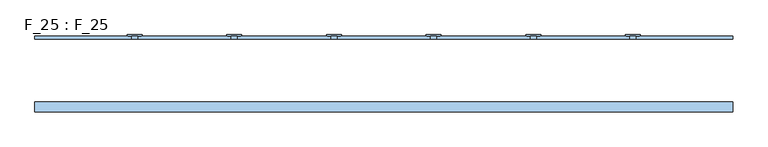
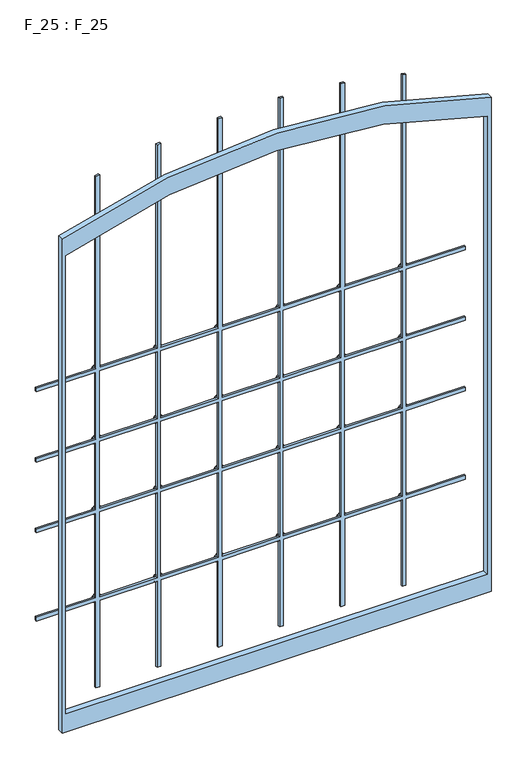
"""IFC4 building model written with IfcOpenShell, lengths in millimetres: window geometry, F_25 : F_25."""

from ifc_helpers import new_model, si_unit, point, frame, frame_2d, origin, place, context, project, spatial, polyline, circle_curve, trimmed, segment, composite_curve, outline, extrude, source, transform, mapped, element, save


def f_25_f_25_60ceeb05(model_context):
    return source(origin(), model_context, "Body", "SweptSolid", [
        extrude(outline(composite_curve([segment(polyline([(1705.0, 77.1428571), (1705.0, -77.1428571), (2298.2698477, -77.1428571)]), True, "CONTINUOUS"), segment(trimmed(circle_curve(frame_2d((597.1837547, 0.0)), 1702.8343772), [point((2298.2698477, -77.1428571))], [point((2297.7868944, -87.1428571))], False, "CARTESIAN"), True, "CONTINUOUS"), segment(polyline([(2297.7868944, -87.1428571), (1705.0, -87.1428571), (1705.0, -241.4285714), (2282.8163247, -241.4285714)]), True, "CONTINUOUS"), segment(trimmed(circle_curve(frame_2d((597.1837547, 0.0)), 1702.8343772), [point((2282.8163247, -241.4285714))], [point((2281.3537549, -251.4285714))], False, "CARTESIAN"), True, "CONTINUOUS"), segment(polyline([(2281.3537549, -251.4285714), (1705.0, -251.4285714), (1705.0, -405.7142857), (2250.9796413, -405.7142857)]), True, "CONTINUOUS"), segment(trimmed(circle_curve(frame_2d((597.1837547, 0.0)), 1702.8343772), [point((2250.9796413, -405.7142857))], [point((2248.4943096, -415.7142857))], False, "CARTESIAN"), True, "CONTINUOUS"), segment(polyline([(2248.4943096, -415.7142857), (1705.0, -415.7142857), (1705.0, -575.0), (1695.0, -575.0), (1695.0, -415.7142857), (1505.0, -415.7142857), (1505.0, -575.0), (1495.0, -575.0), (1495.0, -415.7142857), (1305.0, -415.7142857), (1305.0, -575.0), (1295.0, -575.0), (1295.0, -415.7142857), (1055.0, -415.7142857), (1055.0, -575.0), (1045.0, -575.0), (1045.0, -415.7142857), (800.0, -415.7142857), (800.0, -405.7142857), (1045.0, -405.7142857), (1045.0, -251.4285714), (800.0, -251.4285714), (800.0, -241.4285714), (1045.0, -241.4285714), (1045.0, -87.1428571), (800.0, -87.1428571), (800.0, -77.1428571), (1045.0, -77.1428571), (1045.0, 77.1428571), (800.0, 77.1428571), (800.0, 87.1428571), (1045.0, 87.1428571), (1045.0, 241.4285714), (800.0, 241.4285714), (800.0, 251.4285714), (1045.0, 251.4285714), (1045.0, 405.7142857), (800.0, 405.7142857), (800.0, 415.7142857), (1045.0, 415.7142857), (1045.0, 575.0), (1055.0, 575.0), (1055.0, 415.7142857), (1295.0, 415.7142857), (1295.0, 575.0), (1305.0, 575.0), (1305.0, 415.7142857), (1495.0, 415.7142857), (1495.0, 575.0), (1505.0, 575.0), (1505.0, 415.7142857), (1695.0, 415.7142857), (1695.0, 575.0), (1705.0, 575.0), (1705.0, 415.7142857), (2248.4943096, 415.7142857)]), True, "CONTINUOUS"), segment(trimmed(circle_curve(frame_2d((597.1837547, 0.0)), 1702.8343772), [point((2248.4943096, 415.7142857))], [point((2250.9796413, 405.7142857))], False, "CARTESIAN"), True, "CONTINUOUS"), segment(polyline([(2250.9796413, 405.7142857), (1705.0, 405.7142857), (1705.0, 251.4285714), (2281.3537549, 251.4285714)]), True, "CONTINUOUS"), segment(trimmed(circle_curve(frame_2d((597.1837547, 0.0)), 1702.8343772), [point((2281.3537549, 251.4285714))], [point((2282.8163247, 241.4285714))], False, "CARTESIAN"), True, "CONTINUOUS"), segment(polyline([(2282.8163247, 241.4285714), (1705.0, 241.4285714), (1705.0, 87.1428571), (2297.7868944, 87.1428571)]), True, "CONTINUOUS"), segment(trimmed(circle_curve(frame_2d((597.1837547, 0.0)), 1702.8343772), [point((2297.7868944, 87.1428571))], [point((2298.2698477, 77.1428571))], False, "CARTESIAN"), True, "CONTINUOUS"), segment(polyline([(2298.2698477, 77.1428571), (1705.0, 77.1428571)]), True, "CONTINUOUS")], self_intersect=False), holes=[polyline([(1305.0, 77.1428571), (1305.0, -77.1428571), (1495.0, -77.1428571), (1495.0, 77.1428571), (1305.0, 77.1428571)]), polyline([(1305.0, 405.7142857), (1305.0, 251.4285714), (1495.0, 251.4285714), (1495.0, 405.7142857), (1305.0, 405.7142857)]), polyline([(1305.0, 241.4285714), (1305.0, 87.1428571), (1495.0, 87.1428571), (1495.0, 241.4285714), (1305.0, 241.4285714)]), polyline([(1055.0, 405.7142857), (1055.0, 251.4285714), (1295.0, 251.4285714), (1295.0, 405.7142857), (1055.0, 405.7142857)]), polyline([(1055.0, 241.4285714), (1055.0, 87.1428571), (1295.0, 87.1428571), (1295.0, 241.4285714), (1055.0, 241.4285714)]), polyline([(1055.0, 77.1428571), (1055.0, -77.1428571), (1295.0, -77.1428571), (1295.0, 77.1428571), (1055.0, 77.1428571)]), polyline([(1055.0, -405.7142857), (1295.0, -405.7142857), (1295.0, -251.4285714), (1055.0, -251.4285714), (1055.0, -405.7142857)]), polyline([(1055.0, -241.4285714), (1295.0, -241.4285714), (1295.0, -87.1428571), (1055.0, -87.1428571), (1055.0, -241.4285714)]), polyline([(1305.0, -405.7142857), (1495.0, -405.7142857), (1495.0, -251.4285714), (1305.0, -251.4285714), (1305.0, -405.7142857)]), polyline([(1305.0, -241.4285714), (1495.0, -241.4285714), (1495.0, -87.1428571), (1305.0, -87.1428571), (1305.0, -241.4285714)]), polyline([(1505.0, 405.7142857), (1505.0, 251.4285714), (1695.0, 251.4285714), (1695.0, 405.7142857), (1505.0, 405.7142857)]), polyline([(1505.0, 241.4285714), (1505.0, 87.1428571), (1695.0, 87.1428571), (1695.0, 241.4285714), (1505.0, 241.4285714)]), polyline([(1505.0, 77.1428571), (1505.0, -77.1428571), (1695.0, -77.1428571), (1695.0, 77.1428571), (1505.0, 77.1428571)]), polyline([(1505.0, -405.7142857), (1695.0, -405.7142857), (1695.0, -251.4285714), (1505.0, -251.4285714), (1505.0, -405.7142857)]), polyline([(1505.0, -241.4285714), (1695.0, -241.4285714), (1695.0, -87.1428571), (1505.0, -87.1428571), (1505.0, -241.4285714)])]), frame((0.0, 220.0, 0.0), z_axis=(0.0, 1.0, 0.0), x_axis=(0.0, 0.0, 1.0)), (0.0, 0.0, 1.0), 5.0),
        extrude(outline(composite_curve([segment(polyline([(800.0, -575.0), (800.0, 575.0), (2200.0, 575.0)]), True, "CONTINUOUS"), segment(trimmed(circle_curve(frame_2d((597.1837547, 0.0)), 1702.8343772), [point((2200.0, 575.0))], [point((2200.0, -575.0))], False, "CARTESIAN"), True, "CONTINUOUS"), segment(polyline([(2200.0, -575.0), (800.0, -575.0)]), True, "CONTINUOUS")], self_intersect=False), holes=[composite_curve([segment(polyline([(851.0, -565.0), (2150.4501448, -565.0)]), True, "CONTINUOUS"), segment(trimmed(circle_curve(frame_2d((597.1837547, 0.0)), 1652.8343772), [point((2150.4501448, -565.0))], [point((2150.4501448, 565.0))], True, "CARTESIAN"), True, "CONTINUOUS"), segment(polyline([(2150.4501448, 565.0), (851.0, 565.0), (851.0, -565.0)]), True, "CONTINUOUS")], self_intersect=False)]), frame((0.0, 100.0, 0.0), z_axis=(0.0, 1.0, 0.0), x_axis=(0.0, 0.0, 1.0)), (0.0, 0.0, 1.0), 16.0),
        extrude(outline(composite_curve([segment(trimmed(circle_curve(frame_2d((1700.0, 410.7142857)), 12.5), [point((1700.0, 398.2142857))], [point((1700.0, 423.2142857))], False, "CARTESIAN"), True, "CONTINUOUS"), segment(trimmed(circle_curve(frame_2d((1700.0, 410.7142857)), 12.5), [point((1700.0, 423.2142857))], [point((1700.0, 398.2142857))], False, "CARTESIAN"), True, "CONTINUOUS")], self_intersect=False)), frame((0.0, 225.0, 0.0), z_axis=(0.0, 1.0, 0.0), x_axis=(0.0, 0.0, 1.0)), (0.0, 0.0, 1.0), 2.0),
        extrude(outline(composite_curve([segment(trimmed(circle_curve(frame_2d((1500.0, 410.7142857)), 12.5), [point((1500.0, 398.2142857))], [point((1500.0, 423.2142857))], False, "CARTESIAN"), True, "CONTINUOUS"), segment(trimmed(circle_curve(frame_2d((1500.0, 410.7142857)), 12.5), [point((1500.0, 423.2142857))], [point((1500.0, 398.2142857))], False, "CARTESIAN"), True, "CONTINUOUS")], self_intersect=False)), frame((0.0, 225.0, 0.0), z_axis=(0.0, 1.0, 0.0), x_axis=(0.0, 0.0, 1.0)), (0.0, 0.0, 1.0), 2.0),
        extrude(outline(composite_curve([segment(trimmed(circle_curve(frame_2d((1700.0, 246.4285714)), 12.5), [point((1700.0, 233.9285714))], [point((1700.0, 258.9285714))], False, "CARTESIAN"), True, "CONTINUOUS"), segment(trimmed(circle_curve(frame_2d((1700.0, 246.4285714)), 12.5), [point((1700.0, 258.9285714))], [point((1700.0, 233.9285714))], False, "CARTESIAN"), True, "CONTINUOUS")], self_intersect=False)), frame((0.0, 225.0, 0.0), z_axis=(0.0, 1.0, 0.0), x_axis=(0.0, 0.0, 1.0)), (0.0, 0.0, 1.0), 2.0),
        extrude(outline(composite_curve([segment(trimmed(circle_curve(frame_2d((1500.0, 246.4285714)), 12.5), [point((1500.0, 233.9285714))], [point((1500.0, 258.9285714))], False, "CARTESIAN"), True, "CONTINUOUS"), segment(trimmed(circle_curve(frame_2d((1500.0, 246.4285714)), 12.5), [point((1500.0, 258.9285714))], [point((1500.0, 233.9285714))], False, "CARTESIAN"), True, "CONTINUOUS")], self_intersect=False)), frame((0.0, 225.0, 0.0), z_axis=(0.0, 1.0, 0.0), x_axis=(0.0, 0.0, 1.0)), (0.0, 0.0, 1.0), 2.0),
        extrude(outline(composite_curve([segment(trimmed(circle_curve(frame_2d((1700.0, 82.1428571)), 12.5), [point((1700.0, 69.6428571))], [point((1700.0, 94.6428571))], False, "CARTESIAN"), True, "CONTINUOUS"), segment(trimmed(circle_curve(frame_2d((1700.0, 82.1428571)), 12.5), [point((1700.0, 94.6428571))], [point((1700.0, 69.6428571))], False, "CARTESIAN"), True, "CONTINUOUS")], self_intersect=False)), frame((0.0, 225.0, 0.0), z_axis=(0.0, 1.0, 0.0), x_axis=(0.0, 0.0, 1.0)), (0.0, 0.0, 1.0), 2.0),
        extrude(outline(composite_curve([segment(trimmed(circle_curve(frame_2d((1500.0, 82.1428571)), 12.5), [point((1500.0, 69.6428571))], [point((1500.0, 94.6428571))], False, "CARTESIAN"), True, "CONTINUOUS"), segment(trimmed(circle_curve(frame_2d((1500.0, 82.1428571)), 12.5), [point((1500.0, 94.6428571))], [point((1500.0, 69.6428571))], False, "CARTESIAN"), True, "CONTINUOUS")], self_intersect=False)), frame((0.0, 225.0, 0.0), z_axis=(0.0, 1.0, 0.0), x_axis=(0.0, 0.0, 1.0)), (0.0, 0.0, 1.0), 2.0),
        extrude(outline(composite_curve([segment(trimmed(circle_curve(frame_2d((1700.0, -82.1428571)), 12.5), [point((1700.0, -94.6428571))], [point((1700.0, -69.6428571))], False, "CARTESIAN"), True, "CONTINUOUS"), segment(trimmed(circle_curve(frame_2d((1700.0, -82.1428571)), 12.5), [point((1700.0, -69.6428571))], [point((1700.0, -94.6428571))], False, "CARTESIAN"), True, "CONTINUOUS")], self_intersect=False)), frame((0.0, 225.0, 0.0), z_axis=(0.0, 1.0, 0.0), x_axis=(0.0, 0.0, 1.0)), (0.0, 0.0, 1.0), 2.0),
        extrude(outline(composite_curve([segment(trimmed(circle_curve(frame_2d((1500.0, -82.1428571)), 12.5), [point((1500.0, -94.6428571))], [point((1500.0, -69.6428571))], False, "CARTESIAN"), True, "CONTINUOUS"), segment(trimmed(circle_curve(frame_2d((1500.0, -82.1428571)), 12.5), [point((1500.0, -69.6428571))], [point((1500.0, -94.6428571))], False, "CARTESIAN"), True, "CONTINUOUS")], self_intersect=False)), frame((0.0, 225.0, 0.0), z_axis=(0.0, 1.0, 0.0), x_axis=(0.0, 0.0, 1.0)), (0.0, 0.0, 1.0), 2.0),
        extrude(outline(composite_curve([segment(trimmed(circle_curve(frame_2d((1700.0, -246.4285714)), 12.5), [point((1700.0, -258.9285714))], [point((1700.0, -233.9285714))], False, "CARTESIAN"), True, "CONTINUOUS"), segment(trimmed(circle_curve(frame_2d((1700.0, -246.4285714)), 12.5), [point((1700.0, -233.9285714))], [point((1700.0, -258.9285714))], False, "CARTESIAN"), True, "CONTINUOUS")], self_intersect=False)), frame((0.0, 225.0, 0.0), z_axis=(0.0, 1.0, 0.0), x_axis=(0.0, 0.0, 1.0)), (0.0, 0.0, 1.0), 2.0),
        extrude(outline(composite_curve([segment(trimmed(circle_curve(frame_2d((1500.0, -246.4285714)), 12.5), [point((1500.0, -258.9285714))], [point((1500.0, -233.9285714))], False, "CARTESIAN"), True, "CONTINUOUS"), segment(trimmed(circle_curve(frame_2d((1500.0, -246.4285714)), 12.5), [point((1500.0, -233.9285714))], [point((1500.0, -258.9285714))], False, "CARTESIAN"), True, "CONTINUOUS")], self_intersect=False)), frame((0.0, 225.0, 0.0), z_axis=(0.0, 1.0, 0.0), x_axis=(0.0, 0.0, 1.0)), (0.0, 0.0, 1.0), 2.0),
        extrude(outline(composite_curve([segment(trimmed(circle_curve(frame_2d((1700.0, -410.7142857)), 12.5), [point((1700.0, -423.2142857))], [point((1700.0, -398.2142857))], False, "CARTESIAN"), True, "CONTINUOUS"), segment(trimmed(circle_curve(frame_2d((1700.0, -410.7142857)), 12.5), [point((1700.0, -398.2142857))], [point((1700.0, -423.2142857))], False, "CARTESIAN"), True, "CONTINUOUS")], self_intersect=False)), frame((0.0, 225.0, 0.0), z_axis=(0.0, 1.0, 0.0), x_axis=(0.0, 0.0, 1.0)), (0.0, 0.0, 1.0), 2.0),
        extrude(outline(composite_curve([segment(trimmed(circle_curve(frame_2d((1500.0, -410.7142857)), 12.5), [point((1500.0, -423.2142857))], [point((1500.0, -398.2142857))], False, "CARTESIAN"), True, "CONTINUOUS"), segment(trimmed(circle_curve(frame_2d((1500.0, -410.7142857)), 12.5), [point((1500.0, -398.2142857))], [point((1500.0, -423.2142857))], False, "CARTESIAN"), True, "CONTINUOUS")], self_intersect=False)), frame((0.0, 225.0, 0.0), z_axis=(0.0, 1.0, 0.0), x_axis=(0.0, 0.0, 1.0)), (0.0, 0.0, 1.0), 2.0),
        extrude(outline(composite_curve([segment(trimmed(circle_curve(frame_2d((1300.0, 410.7142857)), 12.5), [point((1300.0, 398.2142857))], [point((1300.0, 423.2142857))], False, "CARTESIAN"), True, "CONTINUOUS"), segment(trimmed(circle_curve(frame_2d((1300.0, 410.7142857)), 12.5), [point((1300.0, 423.2142857))], [point((1300.0, 398.2142857))], False, "CARTESIAN"), True, "CONTINUOUS")], self_intersect=False)), frame((0.0, 225.0, 0.0), z_axis=(0.0, 1.0, 0.0), x_axis=(0.0, 0.0, 1.0)), (0.0, 0.0, 1.0), 2.0),
        extrude(outline(composite_curve([segment(trimmed(circle_curve(frame_2d((1300.0, 246.4285714)), 12.5), [point((1300.0, 233.9285714))], [point((1300.0, 258.9285714))], False, "CARTESIAN"), True, "CONTINUOUS"), segment(trimmed(circle_curve(frame_2d((1300.0, 246.4285714)), 12.5), [point((1300.0, 258.9285714))], [point((1300.0, 233.9285714))], False, "CARTESIAN"), True, "CONTINUOUS")], self_intersect=False)), frame((0.0, 225.0, 0.0), z_axis=(0.0, 1.0, 0.0), x_axis=(0.0, 0.0, 1.0)), (0.0, 0.0, 1.0), 2.0),
        extrude(outline(composite_curve([segment(trimmed(circle_curve(frame_2d((1300.0, 82.1428571)), 12.5), [point((1300.0, 69.6428571))], [point((1300.0, 94.6428571))], False, "CARTESIAN"), True, "CONTINUOUS"), segment(trimmed(circle_curve(frame_2d((1300.0, 82.1428571)), 12.5), [point((1300.0, 94.6428571))], [point((1300.0, 69.6428571))], False, "CARTESIAN"), True, "CONTINUOUS")], self_intersect=False)), frame((0.0, 225.0, 0.0), z_axis=(0.0, 1.0, 0.0), x_axis=(0.0, 0.0, 1.0)), (0.0, 0.0, 1.0), 2.0),
        extrude(outline(composite_curve([segment(trimmed(circle_curve(frame_2d((1300.0, -82.1428571)), 12.5), [point((1300.0, -94.6428571))], [point((1300.0, -69.6428571))], False, "CARTESIAN"), True, "CONTINUOUS"), segment(trimmed(circle_curve(frame_2d((1300.0, -82.1428571)), 12.5), [point((1300.0, -69.6428571))], [point((1300.0, -94.6428571))], False, "CARTESIAN"), True, "CONTINUOUS")], self_intersect=False)), frame((0.0, 225.0, 0.0), z_axis=(0.0, 1.0, 0.0), x_axis=(0.0, 0.0, 1.0)), (0.0, 0.0, 1.0), 2.0),
        extrude(outline(composite_curve([segment(trimmed(circle_curve(frame_2d((1300.0, -246.4285714)), 12.5), [point((1300.0, -258.9285714))], [point((1300.0, -233.9285714))], False, "CARTESIAN"), True, "CONTINUOUS"), segment(trimmed(circle_curve(frame_2d((1300.0, -246.4285714)), 12.5), [point((1300.0, -233.9285714))], [point((1300.0, -258.9285714))], False, "CARTESIAN"), True, "CONTINUOUS")], self_intersect=False)), frame((0.0, 225.0, 0.0), z_axis=(0.0, 1.0, 0.0), x_axis=(0.0, 0.0, 1.0)), (0.0, 0.0, 1.0), 2.0),
        extrude(outline(composite_curve([segment(trimmed(circle_curve(frame_2d((1300.0, -410.7142857)), 12.5), [point((1300.0, -423.2142857))], [point((1300.0, -398.2142857))], False, "CARTESIAN"), True, "CONTINUOUS"), segment(trimmed(circle_curve(frame_2d((1300.0, -410.7142857)), 12.5), [point((1300.0, -398.2142857))], [point((1300.0, -423.2142857))], False, "CARTESIAN"), True, "CONTINUOUS")], self_intersect=False)), frame((0.0, 225.0, 0.0), z_axis=(0.0, 1.0, 0.0), x_axis=(0.0, 0.0, 1.0)), (0.0, 0.0, 1.0), 2.0),
        extrude(outline(composite_curve([segment(trimmed(circle_curve(frame_2d((1050.0, 410.7142857)), 12.5), [point((1050.0, 398.2142857))], [point((1050.0, 423.2142857))], False, "CARTESIAN"), True, "CONTINUOUS"), segment(trimmed(circle_curve(frame_2d((1050.0, 410.7142857)), 12.5), [point((1050.0, 423.2142857))], [point((1050.0, 398.2142857))], False, "CARTESIAN"), True, "CONTINUOUS")], self_intersect=False)), frame((0.0, 225.0, 0.0), z_axis=(0.0, 1.0, 0.0), x_axis=(0.0, 0.0, 1.0)), (0.0, 0.0, 1.0), 2.0),
        extrude(outline(composite_curve([segment(trimmed(circle_curve(frame_2d((1050.0, 246.4285714)), 12.5), [point((1050.0, 233.9285714))], [point((1050.0, 258.9285714))], False, "CARTESIAN"), True, "CONTINUOUS"), segment(trimmed(circle_curve(frame_2d((1050.0, 246.4285714)), 12.5), [point((1050.0, 258.9285714))], [point((1050.0, 233.9285714))], False, "CARTESIAN"), True, "CONTINUOUS")], self_intersect=False)), frame((0.0, 225.0, 0.0), z_axis=(0.0, 1.0, 0.0), x_axis=(0.0, 0.0, 1.0)), (0.0, 0.0, 1.0), 2.0),
        extrude(outline(composite_curve([segment(trimmed(circle_curve(frame_2d((1050.0, 82.1428571)), 12.5), [point((1050.0, 69.6428571))], [point((1050.0, 94.6428571))], False, "CARTESIAN"), True, "CONTINUOUS"), segment(trimmed(circle_curve(frame_2d((1050.0, 82.1428571)), 12.5), [point((1050.0, 94.6428571))], [point((1050.0, 69.6428571))], False, "CARTESIAN"), True, "CONTINUOUS")], self_intersect=False)), frame((0.0, 225.0, 0.0), z_axis=(0.0, 1.0, 0.0), x_axis=(0.0, 0.0, 1.0)), (0.0, 0.0, 1.0), 2.0),
        extrude(outline(composite_curve([segment(trimmed(circle_curve(frame_2d((1050.0, -82.1428571)), 12.5), [point((1050.0, -94.6428571))], [point((1050.0, -69.6428571))], False, "CARTESIAN"), True, "CONTINUOUS"), segment(trimmed(circle_curve(frame_2d((1050.0, -82.1428571)), 12.5), [point((1050.0, -69.6428571))], [point((1050.0, -94.6428571))], False, "CARTESIAN"), True, "CONTINUOUS")], self_intersect=False)), frame((0.0, 225.0, 0.0), z_axis=(0.0, 1.0, 0.0), x_axis=(0.0, 0.0, 1.0)), (0.0, 0.0, 1.0), 2.0),
        extrude(outline(composite_curve([segment(trimmed(circle_curve(frame_2d((1050.0, -246.4285714)), 12.5), [point((1050.0, -258.9285714))], [point((1050.0, -233.9285714))], False, "CARTESIAN"), True, "CONTINUOUS"), segment(trimmed(circle_curve(frame_2d((1050.0, -246.4285714)), 12.5), [point((1050.0, -233.9285714))], [point((1050.0, -258.9285714))], False, "CARTESIAN"), True, "CONTINUOUS")], self_intersect=False)), frame((0.0, 225.0, 0.0), z_axis=(0.0, 1.0, 0.0), x_axis=(0.0, 0.0, 1.0)), (0.0, 0.0, 1.0), 2.0),
        extrude(outline(composite_curve([segment(trimmed(circle_curve(frame_2d((1050.0, -410.7142857)), 12.5), [point((1050.0, -423.2142857))], [point((1050.0, -398.2142857))], False, "CARTESIAN"), True, "CONTINUOUS"), segment(trimmed(circle_curve(frame_2d((1050.0, -410.7142857)), 12.5), [point((1050.0, -398.2142857))], [point((1050.0, -423.2142857))], False, "CARTESIAN"), True, "CONTINUOUS")], self_intersect=False)), frame((0.0, 225.0, 0.0), z_axis=(0.0, 1.0, 0.0), x_axis=(0.0, 0.0, 1.0)), (0.0, 0.0, 1.0), 2.0),
    ])


if __name__ == "__main__":
    model = new_model("IFC4")
    model_context = context("Model", 3, world=origin())
    ifc_project = project(units=[si_unit("LENGTHUNIT", "METRE", prefix="MILLI")], contexts=[model_context])
    site = spatial("IfcSite", under=ifc_project)
    building = spatial("IfcBuilding", under=site)
    placement = place(None, origin())
    f_25_f_25_shape = f_25_f_25_60ceeb05(model_context)
    element("IfcWindow", 1, ObjectType="F_25 : F_25", at=placement, inside=building, context=model_context, shape_type="MappedRepresentation", body=[
        mapped(f_25_f_25_shape, transform((0.0, 0.0, 0.0), x_axis=(1.0, 0.0, 0.0), y_axis=(0.0, 1.0, 0.0), z_axis=(0.0, 0.0, 1.0))),
    ])
    save(model, "model.ifc")
